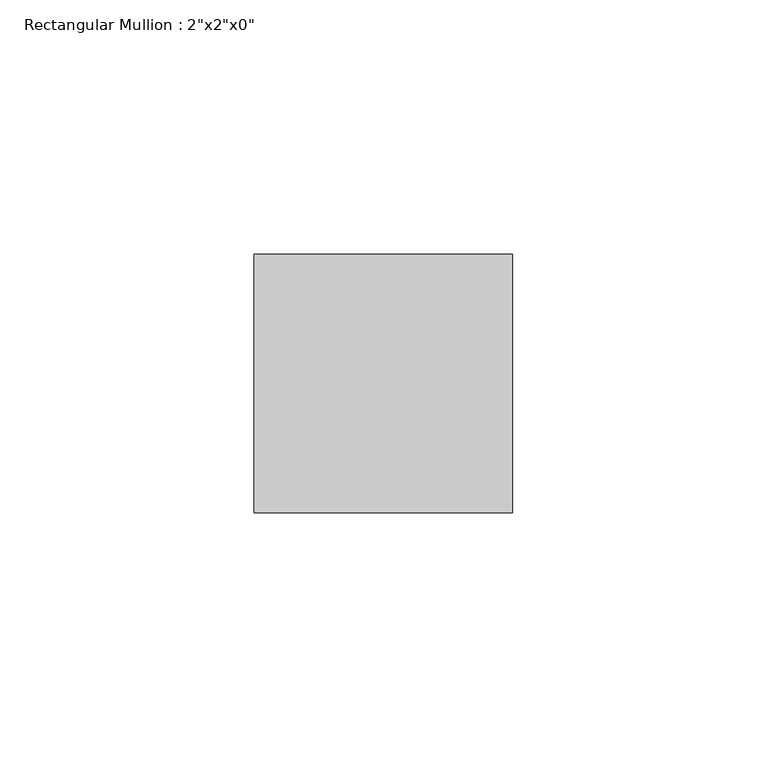
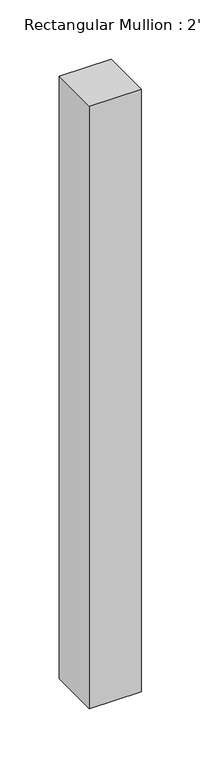
"""IFC4 building model written with IfcOpenShell, lengths in millimetres: member geometry."""

from ifc_helpers import new_model, si_unit, frame, origin, place, context, project, spatial, polyline, outline, extrude, source, transform, mapped, element, save


def member_9a5ae933(model_context):
    return source(origin(), model_context, "Body", "SweptSolid", [
        extrude(outline(polyline([(0.0, 25.4), (0.0, -25.4), (-50.8, -25.4), (-50.8, 25.4), (0.0, 25.4)])), frame((0.0, 0.0, -620.7413732), z_axis=(0.0, 0.0, 1.0), x_axis=(1.0, 0.0, 0.0)), (0.0, 0.0, 1.0), 620.7413732),
    ])


if __name__ == "__main__":
    model = new_model("IFC4")
    model_context = context("Model", 3, world=origin())
    ifc_project = project(units=[si_unit("LENGTHUNIT", "METRE", prefix="MILLI")], contexts=[model_context])
    site = spatial("IfcSite", under=ifc_project)
    building = spatial("IfcBuilding", under=site)
    placement = place(None, origin())
    member_shape = member_9a5ae933(model_context)
    element("IfcMember", 1, ObjectType="Rectangular Mullion : 2\"x2\"x0\"", at=placement, inside=building, context=model_context, shape_type="MappedRepresentation", body=[
        mapped(member_shape, transform((0.0, 0.0, 0.0), x_axis=(1.0, 0.0, 0.0), y_axis=(0.0, 1.0, 0.0), z_axis=(0.0, 0.0, 1.0))),
    ])
    save(model, "model.ifc")
